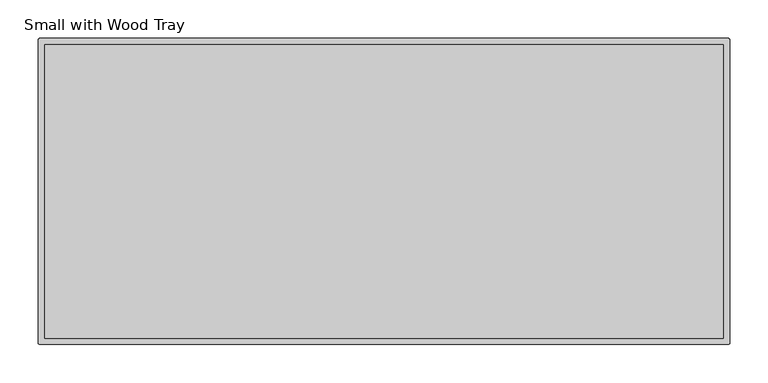
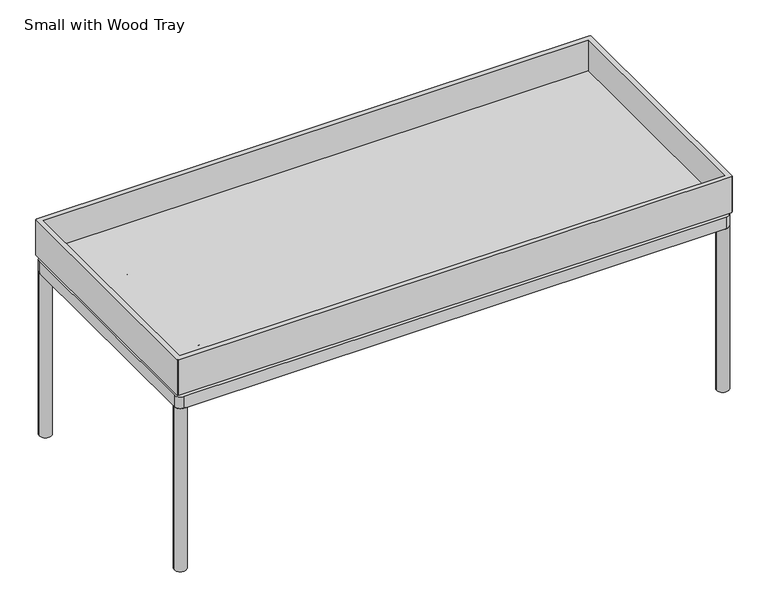
"""IFC4 building model written with IfcOpenShell, lengths in millimetres: furniture geometry, Small with Wood Tray."""

import ifcopenshell
import ifcopenshell.guid

model = None  # the IFC model being written
_history = None  # IfcOwnerHistory: only IFC2X3 demands one
_inside = {}  # id of a spatial element -> (the spatial element, [elements in it])
_under = {}  # id of a project, library or spatial element -> (it, [spatial elements below it])
_declared = {}  # id of a project -> (the project, [libraries it declares])
_typed = {}  # id of a type object -> (the type object, [elements of that type])
_made_of = {}  # id of a material, layer set ... -> (it, [elements and type objects made of it])


def new_model(schema):
    """Start an empty IFC model of exactly this schema.

    Asked for "IFC4X3", IfcOpenShell would pick the latest addendum, in which some entities
    have other attributes; the version numbers below select the first issue.
    IFC2X3 requires an IfcOwnerHistory on every rooted entity: one is made here for all.
    """
    global model, _history
    if schema == "IFC4X3":
        model = ifcopenshell.file(schema_version=(4, 3, 0, 0))
    else:
        model = ifcopenshell.file(schema=schema)
    _inside.clear()
    _under.clear()
    _declared.clear()
    _typed.clear()
    _made_of.clear()
    _history = None
    if model.schema == "IFC2X3":
        org = make("IfcOrganization", Name="unknown")
        user = make(
            "IfcPersonAndOrganization",
            ThePerson=make("IfcPerson", FamilyName="unknown"),
            TheOrganization=org,
        )
        app = make(
            "IfcApplication",
            ApplicationDeveloper=org,
            Version="unknown",
            ApplicationFullName="unknown",
            ApplicationIdentifier="unknown",
        )
        _history = make(
            "IfcOwnerHistory",
            OwningUser=user,
            OwningApplication=app,
            ChangeAction="ADDED",
            CreationDate=0,
        )
    return model


def make(cls, **values):
    """One entity of the class cls with the attributes given. An attribute that is None is left unset."""
    return model.create_entity(
        cls, **{name: value for name, value in values.items() if value is not None}
    )


def rooted(cls, **values):
    """An entity with a GlobalId (a new one), such as an element, a storey or a relation."""
    return make(cls, GlobalId=ifcopenshell.guid.new(), OwnerHistory=_history, **values)


def si_unit(unit_type, name, prefix=None):
    """IfcSIUnit, for example si_unit("LENGTHUNIT", "METRE", prefix="MILLI")."""
    return make("IfcSIUnit", UnitType=unit_type, Prefix=prefix, Name=name)


def assignment(units):
    """IfcUnitAssignment: the units of a project."""
    return None if units is None else make("IfcUnitAssignment", Units=units)


def point(xyz):
    """IfcCartesianPoint."""
    return None if xyz is None else make("IfcCartesianPoint", Coordinates=xyz)


def direction(xyz):
    """IfcDirection."""
    return None if xyz is None else make("IfcDirection", DirectionRatios=xyz)


def frame(location, z_axis=None, x_axis=None):
    """IfcAxis2Placement3D, a coordinate frame: its origin and axes. An axis left out is left unset."""
    return make(
        "IfcAxis2Placement3D",
        Location=point(location),
        Axis=direction(z_axis),
        RefDirection=direction(x_axis),
    )


def frame_2d(location, x_axis=None):
    """IfcAxis2Placement2D, a coordinate frame in the plane: its origin and x axis."""
    return make(
        "IfcAxis2Placement2D", Location=point(location), RefDirection=direction(x_axis)
    )


def origin():
    """The frame at (0, 0, 0) with its axes left unset."""
    return frame((0.0, 0.0, 0.0))


def place(relative_to, where):
    """IfcLocalPlacement: puts the frame where relative to a parent placement (None: the world)."""
    return make(
        "IfcLocalPlacement", PlacementRelTo=relative_to, RelativePlacement=where
    )


def context(
    kind, dimensions, precision=None, world=None, true_north=None, identifier=None
):
    """IfcGeometricRepresentationContext, for example the 3D "Model" context."""
    return make(
        "IfcGeometricRepresentationContext",
        ContextIdentifier=identifier,
        ContextType=kind,
        CoordinateSpaceDimension=dimensions,
        Precision=precision,
        WorldCoordinateSystem=world,
        TrueNorth=true_north,
    )


def project(units=None, contexts=None):
    """IfcProject with its units and contexts."""
    return rooted(
        "IfcProject",
        Name="project",
        RepresentationContexts=contexts,
        UnitsInContext=assignment(units),
    )


def spatial(cls, under=None, at=None, **own):
    """A site, building, storey or space (cls), placed at a placement, below another one or the project."""
    s = rooted(cls, ObjectPlacement=at, **own)
    if under is not None:
        _under.setdefault(under.id(), (under, []))[1].append(s)
    return s


def polyline(points):
    """IfcPolyline through the points."""
    return make("IfcPolyline", Points=[point(p) for p in points])


def circle_curve(where, radius):
    """IfcCircle in the frame where."""
    return make("IfcCircle", Position=where, Radius=radius)


def trimmed(basis, trim1, trim2, sense, master):
    """IfcTrimmedCurve: the piece of a basis curve between two trims."""
    return make(
        "IfcTrimmedCurve",
        BasisCurve=basis,
        Trim1=trim1,
        Trim2=trim2,
        SenseAgreement=sense,
        MasterRepresentation=master,
    )


def segment(curve, same_sense, transition):
    """IfcCompositeCurveSegment."""
    return make(
        "IfcCompositeCurveSegment",
        Transition=transition,
        SameSense=same_sense,
        ParentCurve=curve,
    )


def composite_curve(segments, self_intersect=None):
    """IfcCompositeCurve: segments joined end to end."""
    return make("IfcCompositeCurve", Segments=segments, SelfIntersect=self_intersect)


def outline(outer, holes=None, kind="AREA"):
    """IfcArbitraryClosedProfileDef: a profile drawn as a closed curve; with holes, ...WithVoids."""
    if holes is None:
        return make("IfcArbitraryClosedProfileDef", ProfileType=kind, OuterCurve=outer)
    return make(
        "IfcArbitraryProfileDefWithVoids",
        ProfileType=kind,
        OuterCurve=outer,
        InnerCurves=holes,
    )


def extrude(swept, where, along, depth):
    """IfcExtrudedAreaSolid: the profile swept, set in the frame where, extruded along a direction by depth."""
    return make(
        "IfcExtrudedAreaSolid",
        SweptArea=swept,
        Position=where,
        ExtrudedDirection=direction(along),
        Depth=depth,
    )


def faces_of(points, faces, orient=None, outer=None):
    """IfcFace entities. A face is a list of loops; a loop is a list of indices into points, from 0.

    orient and outer hold one flag for each loop. By default every Orientation is true, the
    first loop of a face is its IfcFaceOuterBound and the others are IfcFaceBound.
    """
    made = []
    for i, loops in enumerate(faces):
        bounds = []
        for j, loop in enumerate(loops):
            is_outer = j == 0 if outer is None else outer[i][j]
            bounds.append(
                make(
                    "IfcFaceOuterBound" if is_outer else "IfcFaceBound",
                    Bound=make("IfcPolyLoop", Polygon=[points[k] for k in loop]),
                    Orientation=True if orient is None else orient[i][j],
                )
            )
        made.append(make("IfcFace", Bounds=bounds))
    return made


def faceted_brep(points, faces, orient=None, outer=None, voids=None):
    """IfcFacetedBrep: a solid bounded by flat faces; with voids (closed shells), ...WithVoids."""
    shared = [point(p) for p in points]
    hull = make("IfcClosedShell", CfsFaces=faces_of(shared, faces, orient, outer))
    if voids is None:
        return make("IfcFacetedBrep", Outer=hull)
    return make(
        "IfcFacetedBrepWithVoids",
        Outer=hull,
        Voids=[
            make(cls, CfsFaces=faces_of(shared, fs, o, b)) for cls, fs, o, b in voids
        ],
    )


def shape(context_of_items, identifier, shape_type, items):
    """IfcShapeRepresentation: the items that make up one representation, for example the "Body"."""
    return make(
        "IfcShapeRepresentation",
        ContextOfItems=context_of_items,
        RepresentationIdentifier=identifier,
        RepresentationType=shape_type,
        Items=items,
    )


def source(mapping_origin, context_of_items, identifier, shape_type, items):
    """IfcRepresentationMap: a shape defined once, which mapped items show again and again."""
    return make(
        "IfcRepresentationMap",
        MappingOrigin=mapping_origin,
        MappedRepresentation=shape(context_of_items, identifier, shape_type, items),
    )


def transform(
    local_origin,
    x_axis=None,
    y_axis=None,
    z_axis=None,
    scale=None,
    scale2=None,
    scale3=None,
    uniform=True,
):
    """IfcCartesianTransformationOperator3D, or its non-uniform kind. x_axis, y_axis, z_axis: its Axis1, 2, 3."""
    if uniform:
        return make(
            "IfcCartesianTransformationOperator3D",
            Axis1=direction(x_axis),
            Axis2=direction(y_axis),
            LocalOrigin=point(local_origin),
            Scale=scale,
            Axis3=direction(z_axis),
        )
    return make(
        "IfcCartesianTransformationOperator3DnonUniform",
        Axis1=direction(x_axis),
        Axis2=direction(y_axis),
        LocalOrigin=point(local_origin),
        Scale=scale,
        Axis3=direction(z_axis),
        Scale2=scale2,
        Scale3=scale3,
    )


def mapped(mapping_source, mapping_target):
    """IfcMappedItem: shows the shape of a source again, moved by a transform."""
    return make(
        "IfcMappedItem", MappingSource=mapping_source, MappingTarget=mapping_target
    )


def made_of(thing, what):
    """Note that an element or type object is made of a material, layer set ...; save() writes the relation."""
    if what is not None:
        _made_of.setdefault(what.id(), (what, []))[1].append(thing)
    return thing


def element(
    cls,
    number,
    at=None,
    inside=None,
    cuts=None,
    type_object=None,
    material=None,
    context=None,
    identifier="Body",
    shape_type=None,
    held_by="IfcProductDefinitionShape",
    body=None,
    shapes=None,
    **own,
):
    """One element of the class cls, such as IfcWall. Its Tag is "e" and its number.

    at: its placement. inside: the storey or other place that contains it. cuts: it is an
    opening in that element (IfcRelVoidsElement). A single representation is given by context,
    identifier, shape_type and body (its items); several are given by shapes. held_by: the class
    of the entity that holds the representations. save() writes the other relations.
    """
    e = rooted(cls, Tag="e%d" % number, ObjectPlacement=at, **own)
    if body is not None:
        shapes = [shape(context, identifier, shape_type, body)]
    if shapes is not None:
        e.Representation = make(held_by, Representations=shapes)
    if inside is not None:
        _inside.setdefault(inside.id(), (inside, []))[1].append(e)
    if cuts is not None:
        rooted(
            "IfcRelVoidsElement", RelatingBuildingElement=cuts, RelatedOpeningElement=e
        )
    if type_object is not None:
        _typed.setdefault(type_object.id(), (type_object, []))[1].append(e)
    return made_of(e, material)


def aggregate(whole, parts):
    """IfcRelAggregates: a whole, such as a stair, and the parts it consists of."""
    return rooted("IfcRelAggregates", RelatingObject=whole, RelatedObjects=parts)


def save(model, path):
    """Write the relations noted so far, then the file.

    IfcRelAggregates (storeys below a building ...), IfcRelContainedInSpatialStructure (elements
    in a storey), IfcRelDefinesByType, IfcRelAssociatesMaterial and IfcRelDeclares: one each for
    every whole, place, type object, material and project.
    """
    for whole, parts in _under.values():
        aggregate(whole, parts)
    for where, things in _inside.values():
        rooted(
            "IfcRelContainedInSpatialStructure",
            RelatedElements=things,
            RelatingStructure=where,
        )
    for kind, things in _typed.values():
        rooted("IfcRelDefinesByType", RelatedObjects=things, RelatingType=kind)
    for what, things in _made_of.values():
        rooted("IfcRelAssociatesMaterial", RelatedObjects=things, RelatingMaterial=what)
    for by, libraries in _declared.values():
        rooted("IfcRelDeclares", RelatingContext=by, RelatedDefinitions=libraries)
    model.write(path)


def plane_surface(at):
    """IfcPlane: the flat surface through the origin of the frame at, square to its z axis."""
    return make("IfcPlane", Position=at)


def cylinder_surface(at, radius):
    """IfcCylindricalSurface: all points at the distance radius from the z axis of the frame at."""
    return make("IfcCylindricalSurface", Position=at, Radius=radius)


def revolved_surface(curve, axis_point, axis_direction):
    """IfcSurfaceOfRevolution: the curve turned about the line through axis_point along axis_direction."""
    return make(
        "IfcSurfaceOfRevolution",
        SweptCurve=make("IfcArbitraryOpenProfileDef", ProfileType="CURVE", Curve=curve),
        AxisPosition=make("IfcAxis1Placement", Location=point(axis_point), Axis=direction(axis_direction)),
    )


def advanced_brep(points, edges, surfaces, faces):
    """IfcAdvancedBrep: a solid bounded by faces that lie on surfaces and meet in shared edges.

    An edge is (start, end): straight between two places in points (the first is 0);
    or (start, end, curve); or (start, end, curve, False) where it runs against its curve.
    A face is (place in surfaces, loops), or (place, loops, False) where it looks against
    its surface's normal. A loop lists edges by number (the first is 1), with a minus sign
    where the edge is run from its end to its start. The first loop is the outer one.
    """
    corners = [point(p) for p in points]
    vertices = [make("IfcVertexPoint", VertexGeometry=c) for c in corners]
    made = []
    for start, end, *more in edges:
        made.append(
            make(
                "IfcEdgeCurve",
                EdgeStart=vertices[start],
                EdgeEnd=vertices[end],
                EdgeGeometry=more[0] if more else make("IfcPolyline", Points=[corners[start], corners[end]]),
                SameSense=more[1] if len(more) > 1 else True,
            )
        )
    hull = []
    for where, loops, *sense in faces:
        bounds = []
        for j, loop in enumerate(loops):
            ring = [make("IfcOrientedEdge", EdgeElement=made[abs(k) - 1], Orientation=k > 0) for k in loop]
            bounds.append(
                make(
                    "IfcFaceOuterBound" if j == 0 else "IfcFaceBound",
                    Bound=make("IfcEdgeLoop", EdgeList=ring),
                    Orientation=True,
                )
            )
        hull.append(make("IfcAdvancedFace", Bounds=bounds, FaceSurface=surfaces[where], SameSense=sense[0] if sense else True))
    return make("IfcAdvancedBrep", Outer=make("IfcClosedShell", CfsFaces=hull))


def small_with_wood_tray_2f7329a7(model_context):
    return source(origin(), model_context, "Body", "SolidModel", [
        faceted_brep([(286.138652, -100.7058931, 312.629295), (-597.0292283, -100.7058931, 312.629295), (-597.0292283, -483.4941069, 312.629295), (286.138652, -483.4941069, 312.629295), (-604.0257852, -92.71, 304.6322333), (293.1352089, -92.71, 304.6322333), (293.1352089, -93.7095032, 304.6322333), (294.1347118, -93.7095032, 304.6322333), (294.1347118, -490.4904973, 304.6322333), (293.1352089, -490.4904973, 304.6322333), (293.1352089, -491.49, 304.6322333), (-604.0257852, -491.49, 304.6322333), (-604.0257852, -490.4904973, 304.6322333), (-605.0252882, -490.4904973, 304.6322333), (-605.0252882, -93.7095032, 304.6322333), (-604.0257852, -93.7095032, 304.6322333), (-605.0252882, -490.4904973, 365.5932511), (-604.0257852, -490.4904973, 365.5932511), (-604.0257852, -491.49, 365.5932511), (293.1352089, -491.49, 365.5932511), (293.1352089, -490.4904973, 365.5932511), (294.1347118, -490.4904973, 365.5932511), (294.1347118, -93.7095032, 365.5932511), (293.1352089, -93.7095032, 365.5932511), (293.1352089, -92.7098702, 365.5932511), (-604.0257852, -92.7100002, 365.5932511), (-604.0257852, -93.7095032, 365.5932511), (-605.0252882, -93.7095032, 365.5932511), (-597.0292283, -100.7058931, 365.5932511), (286.138652, -100.7058931, 365.5932511), (286.138652, -483.4941069, 365.5932511), (-597.0292283, -483.4941069, 365.5932511)], [[[0, 1, 2, 3]], [[4, 5, 6, 7, 8, 9, 10, 11, 12, 13, 14, 15]], [[16, 17, 18, 19, 20, 21, 22, 23, 24, 25, 26, 27], [28, 29, 30, 31]], [[29, 28, 1, 0]], [[30, 29, 0, 3]], [[31, 30, 3, 2]], [[28, 31, 2, 1]], [[4, 15, 26, 25]], [[26, 15, 14, 27]], [[27, 14, 13, 16]], [[16, 13, 12, 17]], [[17, 12, 11, 18]], [[18, 11, 10, 19]], [[19, 10, 9, 20]], [[20, 9, 8, 21]], [[21, 8, 7, 22]], [[22, 7, 6, 23]], [[23, 6, 5, 24]], [[24, 5, 4, 25]]]),
        extrude(outline(composite_curve([segment(trimmed(circle_curve(frame_2d((-593.0838099, -104.6599879)), 1.9413078), [point((-595.0251177, -104.6599879))], [point((-593.0838099, -102.7186802))], False, "CARTESIAN"), True, "CONTINUOUS"), segment(polyline([(-593.0838099, -102.7186802), (282.1309315, -102.7186802)]), True, "CONTINUOUS"), segment(trimmed(circle_curve(frame_2d((282.1309315, -104.7258089)), 2.0071288), [point((282.1309315, -102.7186802))], [point((284.1380603, -104.7258089))], False, "CARTESIAN"), True, "CONTINUOUS"), segment(polyline([(284.1380603, -104.7258089), (284.1380603, -479.5002885)]), True, "CONTINUOUS"), segment(trimmed(circle_curve(frame_2d((282.1363356, -479.5002885)), 2.0017246), [point((284.1380603, -479.5002885))], [point((282.1363356, -481.5020131))], False, "CARTESIAN"), True, "CONTINUOUS"), segment(polyline([(282.1363356, -481.5020131), (-595.0251177, -481.5020131), (-595.0251177, -104.6599879)]), True, "CONTINUOUS")], self_intersect=False)), frame((0.0, 0.0, 299.6294223), z_axis=(0.0, 0.0, 1.0), x_axis=(1.0, 0.0, 0.0)), (0.0, 0.0, 1.0), 5.002811),
        advanced_brep(
        [(267.1276141, -117.6971264, 299.6294223), (-578.0202636, -117.6971264, 299.6294223), (-580.0466715, -119.7235343, 299.6294223), (-580.0466715, -464.4689461, 299.6294223), (-577.992051, -466.5235669, 299.6294223), (267.1579775, -466.5237486, 299.6294223), (269.1599045, -464.5218208, 299.6294223), (269.1596141, -119.7291258, 299.6294223), (-565.0231699, -451.5072233, 299.6294223), (-565.0231699, -132.7136516, 299.6294223), (-532.7626081, -132.7136631, 299.6294223), (-532.7626081, -451.5072042, 299.6294223), (-502.5025365, -132.7136738, 299.6294223), (182.0869602, -132.7139167, 299.6294223), (182.0869602, -451.5072042, 299.6294223), (-502.5025365, -451.5072039, 299.6294223), (254.1361125, -451.506969, 299.6294223), (212.3470318, -451.506982, 299.6294223), (212.3470318, -132.7136631, 299.6294223), (254.1358218, -132.7139423, 299.6294223), (267.1276141, -117.6971264, 279.6326959), (269.1596141, -119.7291258, 279.6326959), (269.1599045, -464.5218208, 279.6326959), (267.1579775, -466.5237486, 279.6326959), (-577.992051, -466.5235669, 279.6326959), (-580.0466715, -464.4689461, 279.6326959), (-580.0466715, -119.7235343, 279.6326959), (-578.0202636, -117.6971264, 279.6326959), (254.1361125, -451.506969, 279.6326959), (254.1358218, -132.7139423, 279.6326959), (212.3470318, -132.7139275, 279.6326959), (212.3470318, -451.5072042, 279.6326959), (-565.0231699, -451.5072233, 279.6326959), (-532.7626081, -451.5072133, 279.6326959), (-532.7626081, -132.7136631, 279.6326959), (-565.0231699, -132.7136516, 279.6326959), (182.0869602, -132.7139167, 279.6326959), (-502.5025365, -132.7136738, 279.6326959), (-502.5025365, -451.5072042, 279.6326959), (182.0869602, -451.5069914, 279.6326959)],
        [
            (0, 1),
            (1, 2, circle_curve(frame((-578.0202636, -119.7235343, 299.6294223), z_axis=(0.0, 0.0, 1.0), x_axis=(1.0, 0.0, 0.0)), 2.0264079)),
            (2, 3),
            (3, 4, circle_curve(frame((-577.9920507, -464.4689461, 299.6294223), z_axis=(0.0, 0.0, 1.0), x_axis=(1.0, 0.0, 0.0)), 2.0546208)),
            (4, 5),
            (5, 6, circle_curve(frame((267.1579772, -464.5218214, 299.6294223), z_axis=(0.0, 0.0, 1.0), x_axis=(1.0, 0.0, 0.0)), 2.0019272)),
            (6, 7),
            (7, 0, circle_curve(frame((267.1276141, -119.7291264, 299.6294223), z_axis=(0.0, 0.0, 1.0), x_axis=(1.0, 0.0, 0.0)), 2.032)),
            (8, 9),
            (9, 10),
            (10, 11),
            (11, 8),
            (12, 13),
            (13, 14),
            (14, 15),
            (15, 12),
            (16, 17),
            (17, 18),
            (18, 19),
            (19, 16),
            (20, 21, circle_curve(frame((267.1276141, -119.7291264, 279.6326959), z_axis=(0.0, 0.0, -1.0), x_axis=(1.0, 0.0, 0.0)), 2.032)),
            (21, 22),
            (22, 23, circle_curve(frame((267.1579772, -464.5218214, 279.6326959), z_axis=(0.0, 0.0, -1.0), x_axis=(1.0, 0.0, 0.0)), 2.0019272)),
            (23, 24),
            (24, 25, circle_curve(frame((-577.9920507, -464.4689461, 279.6326959), z_axis=(0.0, 0.0, -1.0), x_axis=(1.0, 0.0, 0.0)), 2.0546208)),
            (25, 26),
            (26, 27, circle_curve(frame((-578.0202636, -119.7235343, 279.6326959), z_axis=(0.0, 0.0, -1.0), x_axis=(1.0, 0.0, 0.0)), 2.0264079)),
            (27, 20),
            (28, 29),
            (29, 30),
            (30, 31),
            (31, 28),
            (32, 33),
            (33, 34),
            (34, 35),
            (35, 32),
            (36, 37),
            (37, 38),
            (38, 39),
            (39, 36),
            (0, 20),
            (27, 1),
            (26, 2),
            (25, 3),
            (24, 4),
            (23, 5),
            (22, 6),
            (21, 7),
            (8, 32),
            (35, 9),
            (12, 37),
            (36, 13),
            (34, 10),
            (29, 19),
            (18, 30),
            (28, 16),
            (14, 39),
            (38, 15),
            (11, 33),
            (31, 17),
        ],
        [
            plane_surface(frame((-578.0202636, -117.6971264, 299.6294223), z_axis=(0.0, 0.0, 1.0), x_axis=(-1.0, 0.0, 0.0))),
            plane_surface(frame((-578.0202636, -117.6971264, 279.6326959), z_axis=(0.0, 0.0, -1.0), x_axis=(1.0, 0.0, 0.0))),
            plane_surface(frame((267.1276141, -117.6971264, 299.6294223), z_axis=(0.0, 1.0, 0.0), x_axis=(0.0, 0.0, -1.0))),
            cylinder_surface(frame((-578.0202636, -119.7235343, 279.6326959), z_axis=(0.0, 0.0, 1.0), x_axis=(1.0, 0.0, 0.0)), 2.0264079),
            plane_surface(frame((-580.0466715, -119.7235343, 299.6294223), z_axis=(-1.0, 0.0, 0.0), x_axis=(0.0, 0.0, -1.0))),
            cylinder_surface(frame((-577.9920507, -464.4689461, 279.6326959), z_axis=(0.0, 0.0, 1.0), x_axis=(1.0, 0.0, 0.0)), 2.0546208),
            plane_surface(frame((-577.992051, -466.5235669, 299.6294223), z_axis=(-2.1495107938605697e-07, -0.9999999999999769, 0.0), x_axis=(0.0, 0.0, -1.0))),
            cylinder_surface(frame((267.1579772, -464.5218214, 279.6326959), z_axis=(0.0, 0.0, 1.0), x_axis=(1.0, 0.0, 0.0)), 2.0019272),
            plane_surface(frame((269.1599045, -464.5218208, 299.6294223), z_axis=(0.9999999999996454, 8.421789670458425e-07, 0.0), x_axis=(0.0, 0.0, -1.0))),
            cylinder_surface(frame((267.1276141, -119.7291264, 279.6326959), z_axis=(0.0, 0.0, 1.0), x_axis=(1.0, 0.0, 0.0)), 2.032),
            plane_surface(frame((-565.0231699, -451.5072233, 299.6294223), z_axis=(1.0, 0.0, 0.0), x_axis=(0.0, 0.0, -1.0))),
            plane_surface(frame((-565.0231699, -132.7136516, 299.6294223), z_axis=(-3.5485165641990404e-07, -0.999999999999937, 0.0), x_axis=(0.0, 0.0, -1.0))),
            plane_surface(frame((254.1358218, -132.7139423, 299.6294223), z_axis=(-0.9999999999995843, -9.118139700497618e-07, 0.0), x_axis=(0.0, 0.0, -1.0))),
            plane_surface(frame((254.1361125, -451.506969, 299.6294223), z_axis=(-3.104950969437019e-07, 0.9999999999999518, 0.0), x_axis=(0.0, 0.0, -1.0))),
            plane_surface(frame((-532.7626081, -132.7136631, 299.6294223), z_axis=(-1.0, 0.0, 0.0), x_axis=(0.0, 0.0, -1.0))),
            plane_surface(frame((-502.5025365, -451.5072042, 299.6294223), z_axis=(1.0, 0.0, 0.0), x_axis=(0.0, 0.0, -1.0))),
            plane_surface(frame((182.0869602, -132.7136631, 299.6294223), z_axis=(-1.0, 0.0, 0.0), x_axis=(0.0, 0.0, -1.0))),
            plane_surface(frame((212.3470318, -451.5072042, 299.6294223), z_axis=(1.0, 0.0, 0.0), x_axis=(0.0, 0.0, -1.0))),
        ],
        [
            (0, [[1, 2, 3, 4, 5, 6, 7, 8], [9, 10, 11, 12], [13, 14, 15, 16], [17, 18, 19, 20]]),
            (1, [[21, 22, 23, 24, 25, 26, 27, 28], [29, 30, 31, 32], [33, 34, 35, 36], [37, 38, 39, 40]]),
            (2, [[-1, 41, -28, 42]]),
            (3, [[-2, -42, -27, 43]]),
            (4, [[-3, -43, -26, 44]]),
            (5, [[-4, -44, -25, 45]]),
            (6, [[-5, -45, -24, 46]]),
            (7, [[-6, -46, -23, 47]]),
            (8, [[-7, -47, -22, 48]]),
            (9, [[-8, -48, -21, -41]]),
            (10, [[-9, 49, -36, 50]]),
            (11, [[-13, 51, -37, 52]]),
            (11, [[-50, -35, 53, -10]]),
            (11, [[54, -19, 55, -30]]),
            (12, [[-20, -54, -29, 56]]),
            (13, [[-15, 57, -39, 58]]),
            (13, [[-49, -12, 59, -33]]),
            (13, [[-56, -32, 60, -17]]),
            (14, [[-11, -53, -34, -59]]),
            (15, [[-16, -58, -38, -51]]),
            (16, [[-14, -52, -40, -57]]),
            (17, [[-18, -60, -31, -55]]),
        ],
    ),
        extrude(outline(composite_curve([segment(trimmed(circle_curve(frame_2d((-534.0870283, -218.2183995)), 0.8405923), [point((-533.7147282, -218.9720493))], [point((-534.7862746, -218.6849293))], False, "CARTESIAN"), True, "CONTINUOUS"), segment(trimmed(circle_curve(frame_2d((-515.5508304, -202.6946527)), 25.0138214), [point((-534.7862746, -218.6849293))], [point((-539.0165383, -211.3578977))], False, "CARTESIAN"), True, "CONTINUOUS"), segment(trimmed(circle_curve(frame_2d((-538.0414872, -211.046606)), 1.0235365), [point((-539.0165383, -211.3578977))], [point((-538.6155102, -210.1991836))], False, "CARTESIAN"), True, "CONTINUOUS"), segment(trimmed(circle_curve(frame_2d((-558.9358484, -180.2005415)), 36.2330605), [point((-538.6155102, -210.1991836))], [point((-522.7960931, -182.7991496))], True, "CARTESIAN"), True, "CONTINUOUS"), segment(trimmed(circle_curve(frame_2d((-521.7765383, -182.8724601)), 1.0221871), [point((-522.7960931, -182.7991496))], [point((-521.9854206, -181.8718429))], False, "CARTESIAN"), True, "CONTINUOUS"), segment(trimmed(circle_curve(frame_2d((-517.7628586, -202.0993497)), 20.6635442), [point((-521.9854206, -181.8718429))], [point((-513.5402966, -181.8718429))], False, "CARTESIAN"), True, "CONTINUOUS"), segment(trimmed(circle_curve(frame_2d((-513.7492648, -182.872872)), 1.0226079), [point((-513.5402966, -181.8718429))], [point((-512.7292996, -182.7994026))], False, "CARTESIAN"), True, "CONTINUOUS"), segment(trimmed(circle_curve(frame_2d((-477.3402021, -180.6341833)), 35.4552732), [point((-512.7292996, -182.7994026))], [point((-496.9098857, -210.1994311))], True, "CARTESIAN"), True, "CONTINUOUS"), segment(trimmed(circle_curve(frame_2d((-497.4226157, -211.0249738)), 0.971809), [point((-496.9098857, -210.1994311))], [point((-496.5128177, -211.366559))], False, "CARTESIAN"), True, "CONTINUOUS"), segment(trimmed(circle_curve(frame_2d((-520.6585547, -202.3010012)), 25.79149), [point((-496.5128177, -211.366559))], [point((-500.7346829, -218.6790439))], False, "CARTESIAN"), True, "CONTINUOUS"), segment(trimmed(circle_curve(frame_2d((-501.4793666, -218.0668907)), 0.9639946), [point((-500.7346829, -218.6790439))], [point((-501.810989, -218.9720493))], False, "CARTESIAN"), True, "CONTINUOUS"), segment(trimmed(circle_curve(frame_2d((-517.7628586, -251.2635341)), 36.0166924), [point((-501.810989, -218.9720493))], [point((-533.7147282, -218.9720493))], True, "CARTESIAN"), True, "CONTINUOUS")], self_intersect=False)), frame((0.0, 0.0, 262.0888903), z_axis=(0.0, 0.0, 1.0), x_axis=(1.0, 0.0, 0.0)), (0.0, 0.0, 1.0), 9.7910462),
        advanced_brep(
        [(-514.9911897, -203.9720928, 306.9117903), (-520.5342368, -203.9720928, 306.9117903), (-513.770496, -203.9720928, 305.6617757), (-521.7549305, -203.9720928, 305.6617757)],
        [
            (0, 1, circle_curve(frame((-517.7627133, -203.9720928, 306.9117903), z_axis=(0.0, 0.0, 1.0), x_axis=(1.0, 0.0, 0.0)), 2.7715235)),
            (1, 0, circle_curve(frame((-517.7627133, -203.9720928, 306.9117903), z_axis=(0.0, 0.0, 1.0), x_axis=(-1.0, 0.0, 0.0)), 2.7715235)),
            (2, 3, circle_curve(frame((-517.7627133, -203.9720928, 305.6617757), z_axis=(0.0, 0.0, -1.0), x_axis=(-1.0, 0.0, 0.0)), 3.9922173)),
            (3, 2, circle_curve(frame((-517.7627133, -203.9720928, 305.6617757), z_axis=(0.0, 0.0, -1.0), x_axis=(1.0, 0.0, 0.0)), 3.9922173)),
            (2, 0),
            (1, 3),
        ],
        [
            plane_surface(frame((-517.7627133, -203.9720928, 306.9117903), z_axis=(0.0, 0.0, 1.0), x_axis=(0.0, 1.0, 0.0))),
            plane_surface(frame((-517.7627133, -203.9720928, 305.6617757), z_axis=(0.0, 0.0, -1.0), x_axis=(0.0, 1.0, 0.0))),
            revolved_surface(polyline([(-520.5342367626376, -203.9720928, 306.9117903), (-521.7549305, -203.9720928, 305.6617757)]), (-517.7627133, -203.9720928, 309.7498853), (0.0, 0.0, -1.0)),
            revolved_surface(polyline([(-514.9911897679392, -203.9720928, 306.9117903), (-513.770496, -203.9720928, 305.6617757)]), (-517.7627133, -203.9720928, 309.7498853), (0.0, 0.0, -1.0)),
        ],
        [
            (0, [[1, 2]]),
            (1, [[3, 4]]),
            (2, [[-3, 5, -2, 6]]),
            (3, [[-4, -6, -1, -5]]),
        ],
    ),
        extrude(outline(composite_curve([segment(trimmed(circle_curve(frame_2d((-517.7627133, -203.9720928)), 3.9922173), [point((-513.770496, -203.9720928))], [point((-521.7549305, -203.9720928))], False, "CARTESIAN"), True, "CONTINUOUS"), segment(trimmed(circle_curve(frame_2d((-517.7627133, -203.9720928)), 3.9922173), [point((-521.7549305, -203.9720928))], [point((-513.770496, -203.9720928))], False, "CARTESIAN"), True, "CONTINUOUS")], self_intersect=False)), frame((0.0, 0.0, 267.0639864), z_axis=(0.0, 0.0, 1.0), x_axis=(1.0, 0.0, 0.0)), (0.0, 0.0, 1.0), 38.5901772),
        extrude(outline(composite_curve([segment(trimmed(circle_curve(frame_2d((-517.7627133, -203.9720928)), 9.4525726), [point((-508.3101406, -203.9720928))], [point((-527.2152859, -203.9720928))], False, "CARTESIAN"), True, "CONTINUOUS"), segment(trimmed(circle_curve(frame_2d((-517.7627133, -203.9720928)), 9.4525726), [point((-527.2152859, -203.9720928))], [point((-508.3101406, -203.9720928))], False, "CARTESIAN"), True, "CONTINUOUS")], self_intersect=False)), frame((0.0, 0.0, 296.9633605), z_axis=(0.0, 0.0, 1.0), x_axis=(1.0, 0.0, 0.0)), (0.0, 0.0, 1.0), 5.0787766),
        extrude(outline(composite_curve([segment(trimmed(circle_curve(frame_2d((-517.7627133, -203.9720928)), 9.4525726), [point((-508.3101406, -203.9720928))], [point((-527.2152859, -203.9720928))], False, "CARTESIAN"), True, "CONTINUOUS"), segment(trimmed(circle_curve(frame_2d((-517.7627133, -203.9720928)), 9.4525726), [point((-527.2152859, -203.9720928))], [point((-508.3101406, -203.9720928))], False, "CARTESIAN"), True, "CONTINUOUS")], self_intersect=False)), frame((0.0, 0.0, 271.8799365), z_axis=(0.0, 0.0, 1.0), x_axis=(1.0, 0.0, 0.0)), (0.0, 0.0, 1.0), 5.0787766),
        extrude(outline(composite_curve([segment(trimmed(circle_curve(frame_2d((-534.0870283, -418.3687649)), 0.8405923), [point((-533.7147282, -419.1224147))], [point((-534.7862746, -418.8352947))], False, "CARTESIAN"), True, "CONTINUOUS"), segment(trimmed(circle_curve(frame_2d((-515.5508304, -402.8450181)), 25.0138214), [point((-534.7862746, -418.8352947))], [point((-539.0165383, -411.5082631))], False, "CARTESIAN"), True, "CONTINUOUS"), segment(trimmed(circle_curve(frame_2d((-538.0414872, -411.1969714)), 1.0235365), [point((-539.0165383, -411.5082631))], [point((-538.6155102, -410.349549))], False, "CARTESIAN"), True, "CONTINUOUS"), segment(trimmed(circle_curve(frame_2d((-558.9358484, -380.3509069)), 36.2330605), [point((-538.6155102, -410.349549))], [point((-522.7960931, -382.949515))], True, "CARTESIAN"), True, "CONTINUOUS"), segment(trimmed(circle_curve(frame_2d((-521.7765383, -383.0228255)), 1.0221871), [point((-522.7960931, -382.949515))], [point((-521.9854206, -382.0222083))], False, "CARTESIAN"), True, "CONTINUOUS"), segment(trimmed(circle_curve(frame_2d((-517.7628586, -402.2497151)), 20.6635442), [point((-521.9854206, -382.0222083))], [point((-513.5402966, -382.0222083))], False, "CARTESIAN"), True, "CONTINUOUS"), segment(trimmed(circle_curve(frame_2d((-513.7492648, -383.0232374)), 1.0226079), [point((-513.5402966, -382.0222083))], [point((-512.7292996, -382.949768))], False, "CARTESIAN"), True, "CONTINUOUS"), segment(trimmed(circle_curve(frame_2d((-477.3402021, -380.7845487)), 35.4552732), [point((-512.7292996, -382.949768))], [point((-496.9098857, -410.3497965))], True, "CARTESIAN"), True, "CONTINUOUS"), segment(trimmed(circle_curve(frame_2d((-497.4226157, -411.1753392)), 0.971809), [point((-496.9098857, -410.3497965))], [point((-496.5128177, -411.5169244))], False, "CARTESIAN"), True, "CONTINUOUS"), segment(trimmed(circle_curve(frame_2d((-520.6585547, -402.4513666)), 25.79149), [point((-496.5128177, -411.5169244))], [point((-500.7346829, -418.8294093))], False, "CARTESIAN"), True, "CONTINUOUS"), segment(trimmed(circle_curve(frame_2d((-501.4793666, -418.2172561)), 0.9639946), [point((-500.7346829, -418.8294093))], [point((-501.810989, -419.1224147))], False, "CARTESIAN"), True, "CONTINUOUS"), segment(trimmed(circle_curve(frame_2d((-517.7628586, -451.4138995)), 36.0166924), [point((-501.810989, -419.1224147))], [point((-533.7147282, -419.1224147))], True, "CARTESIAN"), True, "CONTINUOUS")], self_intersect=False)), frame((0.0, 0.0, 262.0888903), z_axis=(0.0, 0.0, 1.0), x_axis=(1.0, 0.0, 0.0)), (0.0, 0.0, 1.0), 9.7910462),
        advanced_brep(
        [(-514.9911897, -404.1224582, 306.9117903), (-520.5342368, -404.1224582, 306.9117903), (-513.770496, -404.1224582, 305.6617757), (-521.7549305, -404.1224582, 305.6617757)],
        [
            (0, 1, circle_curve(frame((-517.7627133, -404.1224582, 306.9117903), z_axis=(0.0, 0.0, 1.0), x_axis=(1.0, 0.0, 0.0)), 2.7715235)),
            (1, 0, circle_curve(frame((-517.7627133, -404.1224582, 306.9117903), z_axis=(0.0, 0.0, 1.0), x_axis=(-1.0, 0.0, 0.0)), 2.7715235)),
            (2, 3, circle_curve(frame((-517.7627133, -404.1224582, 305.6617757), z_axis=(0.0, 0.0, -1.0), x_axis=(-1.0, 0.0, 0.0)), 3.9922173)),
            (3, 2, circle_curve(frame((-517.7627133, -404.1224582, 305.6617757), z_axis=(0.0, 0.0, -1.0), x_axis=(1.0, 0.0, 0.0)), 3.9922173)),
            (2, 0),
            (1, 3),
        ],
        [
            plane_surface(frame((-517.7627133, -404.1224582, 306.9117903), z_axis=(0.0, 0.0, 1.0), x_axis=(0.0, 1.0, 0.0))),
            plane_surface(frame((-517.7627133, -404.1224582, 305.6617757), z_axis=(0.0, 0.0, -1.0), x_axis=(0.0, 1.0, 0.0))),
            revolved_surface(polyline([(-520.5342367626376, -404.1224582, 306.9117903), (-521.7549305, -404.1224582, 305.6617757)]), (-517.7627133, -404.1224582, 309.7498853), (0.0, 0.0, -1.0)),
            revolved_surface(polyline([(-514.9911897679392, -404.1224582, 306.9117903), (-513.770496, -404.1224582, 305.6617757)]), (-517.7627133, -404.1224582, 309.7498853), (0.0, 0.0, -1.0)),
        ],
        [
            (0, [[1, 2]]),
            (1, [[3, 4]]),
            (2, [[-3, 5, -2, 6]]),
            (3, [[-4, -6, -1, -5]]),
        ],
    ),
        extrude(outline(composite_curve([segment(trimmed(circle_curve(frame_2d((-517.7627133, -404.1224582)), 3.9922173), [point((-513.770496, -404.1224582))], [point((-521.7549305, -404.1224582))], False, "CARTESIAN"), True, "CONTINUOUS"), segment(trimmed(circle_curve(frame_2d((-517.7627133, -404.1224582)), 3.9922173), [point((-521.7549305, -404.1224582))], [point((-513.770496, -404.1224582))], False, "CARTESIAN"), True, "CONTINUOUS")], self_intersect=False)), frame((0.0, 0.0, 267.0639864), z_axis=(0.0, 0.0, 1.0), x_axis=(1.0, 0.0, 0.0)), (0.0, 0.0, 1.0), 38.5901772),
        extrude(outline(composite_curve([segment(trimmed(circle_curve(frame_2d((-517.7627133, -404.1224582)), 9.4525726), [point((-508.3101406, -404.1224582))], [point((-527.2152859, -404.1224582))], False, "CARTESIAN"), True, "CONTINUOUS"), segment(trimmed(circle_curve(frame_2d((-517.7627133, -404.1224582)), 9.4525726), [point((-527.2152859, -404.1224582))], [point((-508.3101406, -404.1224582))], False, "CARTESIAN"), True, "CONTINUOUS")], self_intersect=False)), frame((0.0, 0.0, 296.9633605), z_axis=(0.0, 0.0, 1.0), x_axis=(1.0, 0.0, 0.0)), (0.0, 0.0, 1.0), 5.0787766),
        extrude(outline(composite_curve([segment(trimmed(circle_curve(frame_2d((-517.7627133, -404.1224582)), 9.4525726), [point((-508.3101406, -404.1224582))], [point((-527.2152859, -404.1224582))], False, "CARTESIAN"), True, "CONTINUOUS"), segment(trimmed(circle_curve(frame_2d((-517.7627133, -404.1224582)), 9.4525726), [point((-527.2152859, -404.1224582))], [point((-508.3101406, -404.1224582))], False, "CARTESIAN"), True, "CONTINUOUS")], self_intersect=False)), frame((0.0, 0.0, 271.8799365), z_axis=(0.0, 0.0, 1.0), x_axis=(1.0, 0.0, 0.0)), (0.0, 0.0, 1.0), 5.0787766),
        extrude(outline(composite_curve([segment(trimmed(circle_curve(frame_2d((197.3472823, -451.4138995)), 36.0166924), [point((213.2991519, -419.1224147))], [point((181.3954127, -419.1224147))], True, "CARTESIAN"), True, "CONTINUOUS"), segment(trimmed(circle_curve(frame_2d((181.0637903, -418.2172561)), 0.9639946), [point((181.3954127, -419.1224147))], [point((180.3191066, -418.8294093))], False, "CARTESIAN"), True, "CONTINUOUS"), segment(trimmed(circle_curve(frame_2d((200.2429784, -402.4513666)), 25.79149), [point((180.3191066, -418.8294093))], [point((176.0972414, -411.5169244))], False, "CARTESIAN"), True, "CONTINUOUS"), segment(trimmed(circle_curve(frame_2d((177.0070394, -411.1753392)), 0.971809), [point((176.0972414, -411.5169244))], [point((176.4943094, -410.3497965))], False, "CARTESIAN"), True, "CONTINUOUS"), segment(trimmed(circle_curve(frame_2d((156.9246258, -380.7845487)), 35.4552732), [point((176.4943094, -410.3497965))], [point((192.3137233, -382.949768))], True, "CARTESIAN"), True, "CONTINUOUS"), segment(trimmed(circle_curve(frame_2d((193.3336885, -383.0232374)), 1.0226079), [point((192.3137233, -382.949768))], [point((193.1247203, -382.0222083))], False, "CARTESIAN"), True, "CONTINUOUS"), segment(trimmed(circle_curve(frame_2d((197.3472823, -402.2497151)), 20.6635442), [point((193.1247203, -382.0222083))], [point((201.5698443, -382.0222083))], False, "CARTESIAN"), True, "CONTINUOUS"), segment(trimmed(circle_curve(frame_2d((201.360962, -383.0228255)), 1.0221871), [point((201.5698443, -382.0222083))], [point((202.3805168, -382.949515))], False, "CARTESIAN"), True, "CONTINUOUS"), segment(trimmed(circle_curve(frame_2d((238.5202721, -380.3509069)), 36.2330605), [point((202.3805168, -382.949515))], [point((218.1999339, -410.349549))], True, "CARTESIAN"), True, "CONTINUOUS"), segment(trimmed(circle_curve(frame_2d((217.6259109, -411.1969714)), 1.0235365), [point((218.1999339, -410.349549))], [point((218.600962, -411.5082631))], False, "CARTESIAN"), True, "CONTINUOUS"), segment(trimmed(circle_curve(frame_2d((195.135254, -402.8450181)), 25.0138214), [point((218.600962, -411.5082631))], [point((214.3706983, -418.8352947))], False, "CARTESIAN"), True, "CONTINUOUS"), segment(trimmed(circle_curve(frame_2d((213.671452, -418.3687649)), 0.8405923), [point((214.3706983, -418.8352947))], [point((213.2991519, -419.1224147))], False, "CARTESIAN"), True, "CONTINUOUS")], self_intersect=False)), frame((0.0, 0.0, 262.0888903), z_axis=(0.0, 0.0, 1.0), x_axis=(1.0, 0.0, 0.0)), (0.0, 0.0, 1.0), 9.7910462),
        advanced_brep(
        [(194.5756134, -404.1224582, 306.9117903), (200.1186605, -404.1224582, 306.9117903), (193.3549197, -404.1224582, 305.6617757), (201.3393542, -404.1224582, 305.6617757)],
        [
            (0, 1, circle_curve(frame((197.347137, -404.1224582, 306.9117903), z_axis=(0.0, 0.0, 1.0), x_axis=(-1.0, 0.0, 0.0)), 2.7715235)),
            (1, 0, circle_curve(frame((197.347137, -404.1224582, 306.9117903), z_axis=(0.0, 0.0, 1.0), x_axis=(1.0, 0.0, 0.0)), 2.7715235)),
            (2, 3, circle_curve(frame((197.347137, -404.1224582, 305.6617757), z_axis=(0.0, 0.0, -1.0), x_axis=(1.0, 0.0, 0.0)), 3.9922173)),
            (3, 2, circle_curve(frame((197.347137, -404.1224582, 305.6617757), z_axis=(0.0, 0.0, -1.0), x_axis=(-1.0, 0.0, 0.0)), 3.9922173)),
            (3, 1),
            (0, 2),
        ],
        [
            plane_surface(frame((197.347137, -404.1224582, 306.9117903), z_axis=(0.0, 0.0, 1.0), x_axis=(0.0, -1.0, 0.0))),
            plane_surface(frame((197.347137, -404.1224582, 305.6617757), z_axis=(0.0, 0.0, -1.0), x_axis=(0.0, -1.0, 0.0))),
            revolved_surface(polyline([(194.57561346793923, -404.1224582, 306.9117903), (193.3549197, -404.1224582, 305.6617757)]), (197.347137, -404.1224582, 309.7498853), (0.0, 0.0, -1.0)),
            revolved_surface(polyline([(200.11866046263762, -404.1224582, 306.9117903), (201.3393542, -404.1224582, 305.6617757)]), (197.347137, -404.1224582, 309.7498853), (0.0, 0.0, -1.0)),
        ],
        [
            (0, [[1, 2]]),
            (1, [[3, 4]]),
            (2, [[-4, 5, -1, 6]]),
            (3, [[-3, -6, -2, -5]]),
        ],
    ),
        extrude(outline(composite_curve([segment(trimmed(circle_curve(frame_2d((197.347137, -404.1224582)), 3.9922173), [point((193.3549197, -404.1224582))], [point((201.3393542, -404.1224582))], False, "CARTESIAN"), True, "CONTINUOUS"), segment(trimmed(circle_curve(frame_2d((197.347137, -404.1224582)), 3.9922173), [point((201.3393542, -404.1224582))], [point((193.3549197, -404.1224582))], False, "CARTESIAN"), True, "CONTINUOUS")], self_intersect=False)), frame((0.0, 0.0, 267.0639864), z_axis=(0.0, 0.0, 1.0), x_axis=(1.0, 0.0, 0.0)), (0.0, 0.0, 1.0), 38.5901772),
        extrude(outline(composite_curve([segment(trimmed(circle_curve(frame_2d((197.347137, -404.1224582)), 9.4525726), [point((187.8945643, -404.1224582))], [point((206.7997096, -404.1224582))], False, "CARTESIAN"), True, "CONTINUOUS"), segment(trimmed(circle_curve(frame_2d((197.347137, -404.1224582)), 9.4525726), [point((206.7997096, -404.1224582))], [point((187.8945643, -404.1224582))], False, "CARTESIAN"), True, "CONTINUOUS")], self_intersect=False)), frame((0.0, 0.0, 296.9633605), z_axis=(0.0, 0.0, 1.0), x_axis=(1.0, 0.0, 0.0)), (0.0, 0.0, 1.0), 5.0787766),
        extrude(outline(composite_curve([segment(trimmed(circle_curve(frame_2d((197.347137, -404.1224582)), 9.4525726), [point((187.8945643, -404.1224582))], [point((206.7997096, -404.1224582))], False, "CARTESIAN"), True, "CONTINUOUS"), segment(trimmed(circle_curve(frame_2d((197.347137, -404.1224582)), 9.4525726), [point((206.7997096, -404.1224582))], [point((187.8945643, -404.1224582))], False, "CARTESIAN"), True, "CONTINUOUS")], self_intersect=False)), frame((0.0, 0.0, 271.8799365), z_axis=(0.0, 0.0, 1.0), x_axis=(1.0, 0.0, 0.0)), (0.0, 0.0, 1.0), 5.0787766),
        extrude(outline(composite_curve([segment(trimmed(circle_curve(frame_2d((197.3472823, -251.2635341)), 36.0166924), [point((213.2991519, -218.9720493))], [point((181.3954127, -218.9720493))], True, "CARTESIAN"), True, "CONTINUOUS"), segment(trimmed(circle_curve(frame_2d((181.0637903, -218.0668907)), 0.9639946), [point((181.3954127, -218.9720493))], [point((180.3191066, -218.6790439))], False, "CARTESIAN"), True, "CONTINUOUS"), segment(trimmed(circle_curve(frame_2d((200.2429784, -202.3010012)), 25.79149), [point((180.3191066, -218.6790439))], [point((176.0972414, -211.366559))], False, "CARTESIAN"), True, "CONTINUOUS"), segment(trimmed(circle_curve(frame_2d((177.0070394, -211.0249738)), 0.971809), [point((176.0972414, -211.366559))], [point((176.4943094, -210.1994311))], False, "CARTESIAN"), True, "CONTINUOUS"), segment(trimmed(circle_curve(frame_2d((156.9246258, -180.6341833)), 35.4552732), [point((176.4943094, -210.1994311))], [point((192.3137233, -182.7994026))], True, "CARTESIAN"), True, "CONTINUOUS"), segment(trimmed(circle_curve(frame_2d((193.3336885, -182.872872)), 1.0226079), [point((192.3137233, -182.7994026))], [point((193.1247203, -181.8718429))], False, "CARTESIAN"), True, "CONTINUOUS"), segment(trimmed(circle_curve(frame_2d((197.3472823, -202.0993497)), 20.6635442), [point((193.1247203, -181.8718429))], [point((201.5698443, -181.8718429))], False, "CARTESIAN"), True, "CONTINUOUS"), segment(trimmed(circle_curve(frame_2d((201.360962, -182.8724601)), 1.0221871), [point((201.5698443, -181.8718429))], [point((202.3805168, -182.7991496))], False, "CARTESIAN"), True, "CONTINUOUS"), segment(trimmed(circle_curve(frame_2d((238.5202721, -180.2005415)), 36.2330605), [point((202.3805168, -182.7991496))], [point((218.1999339, -210.1991836))], True, "CARTESIAN"), True, "CONTINUOUS"), segment(trimmed(circle_curve(frame_2d((217.6259109, -211.046606)), 1.0235365), [point((218.1999339, -210.1991836))], [point((218.600962, -211.3578977))], False, "CARTESIAN"), True, "CONTINUOUS"), segment(trimmed(circle_curve(frame_2d((195.135254, -202.6946527)), 25.0138214), [point((218.600962, -211.3578977))], [point((214.3706983, -218.6849293))], False, "CARTESIAN"), True, "CONTINUOUS"), segment(trimmed(circle_curve(frame_2d((213.671452, -218.2183995)), 0.8405923), [point((214.3706983, -218.6849293))], [point((213.2991519, -218.9720493))], False, "CARTESIAN"), True, "CONTINUOUS")], self_intersect=False)), frame((0.0, 0.0, 262.0888903), z_axis=(0.0, 0.0, 1.0), x_axis=(1.0, 0.0, 0.0)), (0.0, 0.0, 1.0), 9.7910462),
        advanced_brep(
        [(194.5756134, -203.9720928, 306.9117903), (200.1186605, -203.9720928, 306.9117903), (193.3549197, -203.9720928, 305.6617757), (201.3393542, -203.9720928, 305.6617757)],
        [
            (0, 1, circle_curve(frame((197.347137, -203.9720928, 306.9117903), z_axis=(0.0, 0.0, 1.0), x_axis=(-1.0, 0.0, 0.0)), 2.7715235)),
            (1, 0, circle_curve(frame((197.347137, -203.9720928, 306.9117903), z_axis=(0.0, 0.0, 1.0), x_axis=(1.0, 0.0, 0.0)), 2.7715235)),
            (2, 3, circle_curve(frame((197.347137, -203.9720928, 305.6617757), z_axis=(0.0, 0.0, -1.0), x_axis=(1.0, 0.0, 0.0)), 3.9922173)),
            (3, 2, circle_curve(frame((197.347137, -203.9720928, 305.6617757), z_axis=(0.0, 0.0, -1.0), x_axis=(-1.0, 0.0, 0.0)), 3.9922173)),
            (3, 1),
            (0, 2),
        ],
        [
            plane_surface(frame((197.347137, -203.9720928, 306.9117903), z_axis=(0.0, 0.0, 1.0), x_axis=(0.0, -1.0, 0.0))),
            plane_surface(frame((197.347137, -203.9720928, 305.6617757), z_axis=(0.0, 0.0, -1.0), x_axis=(0.0, -1.0, 0.0))),
            revolved_surface(polyline([(194.57561346793923, -203.9720928, 306.9117903), (193.3549197, -203.9720928, 305.6617757)]), (197.347137, -203.9720928, 309.7498853), (0.0, 0.0, -1.0)),
            revolved_surface(polyline([(200.11866046263762, -203.9720928, 306.9117903), (201.3393542, -203.9720928, 305.6617757)]), (197.347137, -203.9720928, 309.7498853), (0.0, 0.0, -1.0)),
        ],
        [
            (0, [[1, 2]]),
            (1, [[3, 4]]),
            (2, [[-4, 5, -1, 6]]),
            (3, [[-3, -6, -2, -5]]),
        ],
    ),
        extrude(outline(composite_curve([segment(trimmed(circle_curve(frame_2d((197.347137, -203.9720928)), 3.9922173), [point((193.3549197, -203.9720928))], [point((201.3393542, -203.9720928))], False, "CARTESIAN"), True, "CONTINUOUS"), segment(trimmed(circle_curve(frame_2d((197.347137, -203.9720928)), 3.9922173), [point((201.3393542, -203.9720928))], [point((193.3549197, -203.9720928))], False, "CARTESIAN"), True, "CONTINUOUS")], self_intersect=False)), frame((0.0, 0.0, 267.0639864), z_axis=(0.0, 0.0, 1.0), x_axis=(1.0, 0.0, 0.0)), (0.0, 0.0, 1.0), 38.5901772),
        extrude(outline(composite_curve([segment(trimmed(circle_curve(frame_2d((197.347137, -203.9720928)), 9.4525726), [point((187.8945643, -203.9720928))], [point((206.7997096, -203.9720928))], False, "CARTESIAN"), True, "CONTINUOUS"), segment(trimmed(circle_curve(frame_2d((197.347137, -203.9720928)), 9.4525726), [point((206.7997096, -203.9720928))], [point((187.8945643, -203.9720928))], False, "CARTESIAN"), True, "CONTINUOUS")], self_intersect=False)), frame((0.0, 0.0, 296.9633605), z_axis=(0.0, 0.0, 1.0), x_axis=(1.0, 0.0, 0.0)), (0.0, 0.0, 1.0), 5.0787766),
        extrude(outline(composite_curve([segment(trimmed(circle_curve(frame_2d((197.347137, -203.9720928)), 9.4525726), [point((187.8945643, -203.9720928))], [point((206.7997096, -203.9720928))], False, "CARTESIAN"), True, "CONTINUOUS"), segment(trimmed(circle_curve(frame_2d((197.347137, -203.9720928)), 9.4525726), [point((206.7997096, -203.9720928))], [point((187.8945643, -203.9720928))], False, "CARTESIAN"), True, "CONTINUOUS")], self_intersect=False)), frame((0.0, 0.0, 271.8799365), z_axis=(0.0, 0.0, 1.0), x_axis=(1.0, 0.0, 0.0)), (0.0, 0.0, 1.0), 5.0787766),
        extrude(outline(composite_curve([segment(trimmed(circle_curve(frame_2d((284.1383509, -481.5020858)), 9.92796), [point((274.2103909, -481.5020858))], [point((294.066311, -481.5020858))], False, "CARTESIAN"), True, "CONTINUOUS"), segment(trimmed(circle_curve(frame_2d((284.1383509, -481.5020858)), 9.92796), [point((294.066311, -481.5020858))], [point((274.2103909, -481.5020858))], False, "CARTESIAN"), True, "CONTINUOUS")], self_intersect=False)), frame((0.0, 0.0, -0.0904009), z_axis=(0.0, 0.0, 1.0), x_axis=(1.0, 0.0, 0.0)), (0.0, 0.0, 1.0), 279.7230968),
        extrude(outline(composite_curve([segment(trimmed(circle_curve(frame_2d((-595.0289272, -481.5020858)), 9.92796), [point((-604.9568873, -481.5020858))], [point((-585.1009672, -481.5020858))], False, "CARTESIAN"), True, "CONTINUOUS"), segment(trimmed(circle_curve(frame_2d((-595.0289272, -481.5020858)), 9.92796), [point((-585.1009672, -481.5020858))], [point((-604.9568873, -481.5020858))], False, "CARTESIAN"), True, "CONTINUOUS")], self_intersect=False)), frame((0.0, 0.0, -0.0904009), z_axis=(0.0, 0.0, 1.0), x_axis=(1.0, 0.0, 0.0)), (0.0, 0.0, 1.0), 279.7230968),
        extrude(outline(composite_curve([segment(trimmed(circle_curve(frame_2d((284.1383509, -102.6979142)), 9.92796), [point((274.2103909, -102.6979142))], [point((294.066311, -102.6979142))], False, "CARTESIAN"), True, "CONTINUOUS"), segment(trimmed(circle_curve(frame_2d((284.1383509, -102.6979142)), 9.92796), [point((294.066311, -102.6979142))], [point((274.2103909, -102.6979142))], False, "CARTESIAN"), True, "CONTINUOUS")], self_intersect=False)), frame((0.0, 0.0, -0.0904009), z_axis=(0.0, 0.0, 1.0), x_axis=(1.0, 0.0, 0.0)), (0.0, 0.0, 1.0), 279.7230968),
        extrude(outline(composite_curve([segment(trimmed(circle_curve(frame_2d((-595.0289272, -102.6979142)), 9.92796), [point((-604.9568873, -102.6979142))], [point((-585.1009672, -102.6979142))], False, "CARTESIAN"), True, "CONTINUOUS"), segment(trimmed(circle_curve(frame_2d((-595.0289272, -102.6979142)), 9.92796), [point((-585.1009672, -102.6979142))], [point((-604.9568873, -102.6979142))], False, "CARTESIAN"), True, "CONTINUOUS")], self_intersect=False)), frame((0.0, 0.0, -0.0904009), z_axis=(0.0, 0.0, 1.0), x_axis=(1.0, 0.0, 0.0)), (0.0, 0.0, 1.0), 279.7230968),
        extrude(outline(composite_curve([segment(trimmed(circle_curve(frame_2d((283.9747118, -102.87)), 10.16), [point((283.9747118, -92.71))], [point((294.1347118, -102.87))], False, "CARTESIAN"), True, "CONTINUOUS"), segment(polyline([(294.1347118, -102.87), (294.1347118, -481.33)]), True, "CONTINUOUS"), segment(trimmed(circle_curve(frame_2d((283.9747118, -481.33)), 10.16), [point((294.1347118, -481.33))], [point((283.9747118, -491.49))], False, "CARTESIAN"), True, "CONTINUOUS"), segment(polyline([(283.9747118, -491.49), (-594.8652882, -491.49)]), True, "CONTINUOUS"), segment(trimmed(circle_curve(frame_2d((-594.8652882, -481.33)), 10.16), [point((-594.8652882, -491.49))], [point((-605.0252882, -481.33))], False, "CARTESIAN"), True, "CONTINUOUS"), segment(polyline([(-605.0252882, -481.33), (-605.0252882, -102.87)]), True, "CONTINUOUS"), segment(trimmed(circle_curve(frame_2d((-594.8652882, -102.87)), 10.16), [point((-605.0252882, -102.87))], [point((-594.8652882, -92.71))], False, "CARTESIAN"), True, "CONTINUOUS"), segment(polyline([(-594.8652882, -92.71), (283.9747118, -92.71)]), True, "CONTINUOUS")], self_intersect=False), holes=[composite_curve([segment(polyline([(-593.0265391, -481.5020131), (282.1363356, -481.5020131)]), True, "CONTINUOUS"), segment(trimmed(circle_curve(frame_2d((282.1363356, -479.5002885)), 2.0017246), [point((282.1363356, -481.5020131))], [point((284.1380603, -479.5002885))], True, "CARTESIAN"), True, "CONTINUOUS"), segment(polyline([(284.1380603, -479.5002885), (284.1380603, -104.7258089)]), True, "CONTINUOUS"), segment(trimmed(circle_curve(frame_2d((282.1309315, -104.7258089)), 2.0071288), [point((284.1380603, -104.7258089))], [point((282.1309315, -102.7186802))], True, "CARTESIAN"), True, "CONTINUOUS"), segment(polyline([(282.1309315, -102.7186802), (-593.0838099, -102.7186802)]), True, "CONTINUOUS"), segment(trimmed(circle_curve(frame_2d((-593.0838099, -104.6599879)), 1.9413078), [point((-593.0838099, -102.7186802))], [point((-595.0251177, -104.6599879))], True, "CARTESIAN"), True, "CONTINUOUS"), segment(polyline([(-595.0251177, -104.6599879), (-595.0251177, -479.5034345)]), True, "CONTINUOUS"), segment(trimmed(circle_curve(frame_2d((-593.0265391, -479.5034345)), 1.9985786), [point((-595.0251177, -479.5034345))], [point((-593.0265391, -481.5020131))], True, "CARTESIAN"), True, "CONTINUOUS")], self_intersect=False)]), frame((0.0, 0.0, 279.6326959), z_axis=(0.0, 0.0, 1.0), x_axis=(1.0, 0.0, 0.0)), (0.0, 0.0, 1.0), 19.9967264),
        extrude(outline(composite_curve([segment(polyline([(282.1593838, -480.5034549), (-593.0252152, -480.5034549)]), True, "CONTINUOUS"), segment(trimmed(circle_curve(frame_2d((-593.0252152, -479.502038)), 1.0014169), [point((-593.0252152, -480.5034549))], [point((-594.0266321, -479.502038))], False, "CARTESIAN"), True, "CONTINUOUS"), segment(polyline([(-594.0266321, -479.502038), (-594.0266321, -104.7796333)]), True, "CONTINUOUS"), segment(trimmed(circle_curve(frame_2d((-592.9643099, -104.7796333)), 1.0623222), [point((-594.0266321, -104.7796333))], [point((-592.96431, -103.7173111))], False, "CARTESIAN"), True, "CONTINUOUS"), segment(polyline([(-592.96431, -103.7173111), (282.1479882, -103.7171655)]), True, "CONTINUOUS"), segment(trimmed(circle_curve(frame_2d((282.1479882, -104.708752)), 0.9915865), [point((282.1479882, -103.7171655))], [point((283.1395747, -104.708752))], False, "CARTESIAN"), True, "CONTINUOUS"), segment(polyline([(283.1395747, -104.708752), (283.1395747, -479.523264)]), True, "CONTINUOUS"), segment(trimmed(circle_curve(frame_2d((282.1593838, -479.523264)), 0.9801909), [point((283.1395747, -479.523264))], [point((282.1593838, -480.5034549))], False, "CARTESIAN"), True, "CONTINUOUS")], self_intersect=False), holes=[composite_curve([segment(polyline([(267.1276141, -117.6971264), (-578.0202636, -117.6971264)]), True, "CONTINUOUS"), segment(trimmed(circle_curve(frame_2d((-578.0202636, -119.7235343)), 2.0264079), [point((-578.0202636, -117.6971264))], [point((-580.0466715, -119.7235343))], True, "CARTESIAN"), True, "CONTINUOUS"), segment(polyline([(-580.0466715, -119.7235343), (-580.0466715, -464.4689467)]), True, "CONTINUOUS"), segment(trimmed(circle_curve(frame_2d((-577.9920513, -464.4689467)), 2.0546202), [point((-580.0466715, -464.4689467))], [point((-577.992051, -466.5235669))], True, "CARTESIAN"), True, "CONTINUOUS"), segment(polyline([(-577.992051, -466.5235669), (267.1579778, -466.5237486)]), True, "CONTINUOUS"), segment(trimmed(circle_curve(frame_2d((267.1579778, -464.5218214)), 2.0019272), [point((267.1579778, -466.5237486))], [point((269.159905, -464.5218208))], True, "CARTESIAN"), True, "CONTINUOUS"), segment(polyline([(269.159905, -464.5218208), (269.1596141, -119.7291258)]), True, "CONTINUOUS"), segment(trimmed(circle_curve(frame_2d((267.1276141, -119.7291264)), 2.032), [point((269.1596141, -119.7291258))], [point((267.1276141, -117.6971264))], True, "CARTESIAN"), True, "CONTINUOUS")], self_intersect=False)]), frame((0.0, 0.0, 279.6326959), z_axis=(0.0, 0.0, 1.0), x_axis=(1.0, 0.0, 0.0)), (0.0, 0.0, 1.0), 19.9967264),
    ])


if __name__ == "__main__":
    model = new_model("IFC4")
    model_context = context("Model", 3, world=origin())
    ifc_project = project(units=[si_unit("LENGTHUNIT", "METRE", prefix="MILLI")], contexts=[model_context])
    site = spatial("IfcSite", under=ifc_project)
    building = spatial("IfcBuilding", under=site)
    placement = place(None, origin())
    small_with_wood_tray_shape = small_with_wood_tray_2f7329a7(model_context)
    element("IfcFurniture", 1, ObjectType="Small with Wood Tray", at=placement, inside=building, context=model_context, shape_type="MappedRepresentation", body=[
        mapped(small_with_wood_tray_shape, transform((0.0, 0.0, 0.0), x_axis=(1.0, 0.0, 0.0), y_axis=(0.0, 1.0, 0.0), z_axis=(0.0, 0.0, 1.0))),
    ])
    save(model, "model.ifc")
